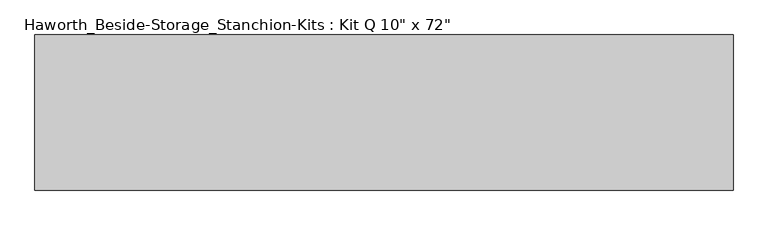
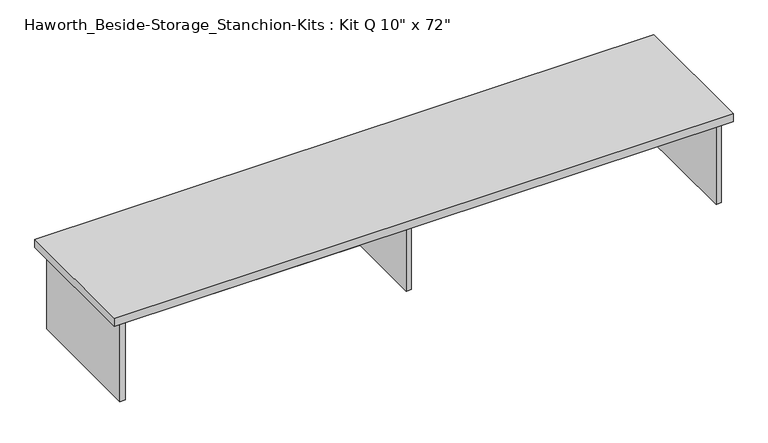
"""IFC4 building model written with IfcOpenShell, lengths in millimetres: furniture geometry."""

from ifc_helpers import new_model, si_unit, frame, origin, place, context, project, spatial, polyline, outline, extrude, source, transform, mapped, element, save


def furniture_0c332a70(model_context):
    return source(origin(), model_context, "Body", "SweptSolid", [
        extrude(outline(polyline([(1076.325, 0.0), (1076.325, -406.4), (-752.475, -406.4), (-752.475, 0.0), (1076.325, 0.0)])), frame((0.0, 0.0, 838.2), z_axis=(0.0, 0.0, 1.0), x_axis=(1.0, 0.0, 0.0)), (0.0, 0.0, 1.0), 25.4),
        extrude(outline(polyline([(169.8625, -76.2), (1035.05, -76.2), (1035.05, -92.075), (169.8625, -92.075), (169.8625, -76.2)])), frame((0.0, 0.0, 584.2), z_axis=(0.0, 0.0, 1.0), x_axis=(1.0, 0.0, 0.0)), (0.0, 0.0, 1.0), 254.0),
        extrude(outline(polyline([(153.9875, -76.2), (153.9875, -92.075), (-711.2, -92.075), (-711.2, -76.2), (153.9875, -76.2)])), frame((0.0, 0.0, 584.2), z_axis=(0.0, 0.0, 1.0), x_axis=(1.0, 0.0, 0.0)), (0.0, 0.0, 1.0), 254.0),
        extrude(outline(polyline([(169.8625, -330.2), (153.9875, -330.2), (153.9875, -76.2), (169.8625, -76.2), (169.8625, -330.2)])), frame((0.0, 0.0, 584.2), z_axis=(0.0, 0.0, 1.0), x_axis=(1.0, 0.0, 0.0)), (0.0, 0.0, 1.0), 254.0),
        extrude(outline(polyline([(1050.925, -390.525), (1035.05, -390.525), (1035.05, -15.875), (1050.925, -15.875), (1050.925, -390.525)])), frame((0.0, 0.0, 584.2), z_axis=(0.0, 0.0, 1.0), x_axis=(1.0, 0.0, 0.0)), (0.0, 0.0, 1.0), 254.0),
        extrude(outline(polyline([(-711.2, -390.525), (-727.075, -390.525), (-727.075, -15.875), (-711.2, -15.875), (-711.2, -390.525)])), frame((0.0, 0.0, 584.2), z_axis=(0.0, 0.0, 1.0), x_axis=(1.0, 0.0, 0.0)), (0.0, 0.0, 1.0), 254.0),
    ])


if __name__ == "__main__":
    model = new_model("IFC4")
    model_context = context("Model", 3, world=origin())
    ifc_project = project(units=[si_unit("LENGTHUNIT", "METRE", prefix="MILLI")], contexts=[model_context])
    site = spatial("IfcSite", under=ifc_project)
    building = spatial("IfcBuilding", under=site)
    placement = place(None, origin())
    furniture_shape = furniture_0c332a70(model_context)
    element("IfcFurniture", 1, ObjectType="Haworth_Beside-Storage_Stanchion-Kits : Kit Q 10\" x 72\"", at=placement, inside=building, context=model_context, shape_type="MappedRepresentation", body=[
        mapped(furniture_shape, transform((0.0, 0.0, 0.0), x_axis=(1.0, 0.0, 0.0), y_axis=(0.0, 1.0, 0.0), z_axis=(0.0, 0.0, 1.0))),
    ])
    save(model, "model.ifc")
